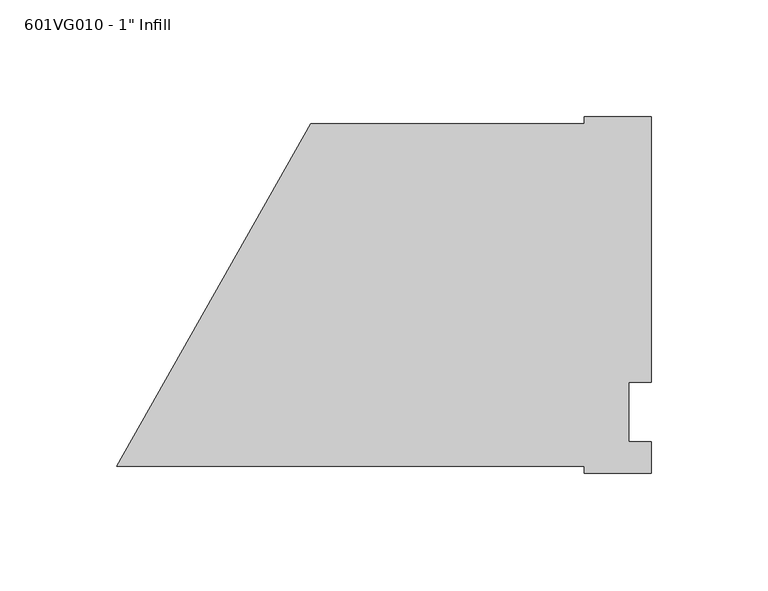
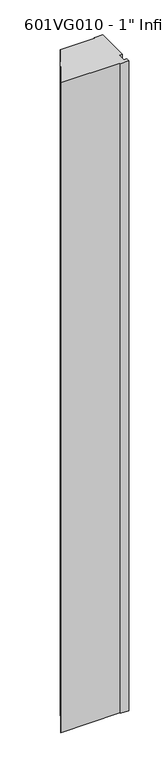
"""IFC4 building model written with IfcOpenShell, lengths in millimetres: proxy geometry."""

from ifc_helpers import new_model, si_unit, frame, origin, place, context, project, spatial, polyline, outline, extrude, source, transform, mapped, element, save


def proxy_01a19746(model_context):
    return source(origin(), model_context, "Body", "SweptSolid", [
        extrude(outline(polyline([(228.6, -26.19375), (199.9581978, -26.19375), (199.9581978, -23.33625), (0.0, -23.33625), (82.99038, 123.34875), (200.0711005, 123.34875), (200.0711005, 126.20625), (228.6, 126.20625), (228.6, 12.7), (219.075, 12.7), (219.075, -12.7), (228.6, -12.7), (228.6, -26.19375)])), frame((0.0, 0.0, 63.5), z_axis=(0.0, 0.0, 1.0), x_axis=(1.0, 0.0, 0.0)), (0.0, 0.0, 1.0), 2311.4),
    ])


if __name__ == "__main__":
    model = new_model("IFC4")
    model_context = context("Model", 3, world=origin())
    ifc_project = project(units=[si_unit("LENGTHUNIT", "METRE", prefix="MILLI")], contexts=[model_context])
    site = spatial("IfcSite", under=ifc_project)
    building = spatial("IfcBuilding", under=site)
    placement = place(None, origin())
    proxy_shape = proxy_01a19746(model_context)
    element("IfcBuildingElementProxy", 1, Name="601VG010 - 1\" Infill", ObjectType="601VG010 - 1\" Infill", at=placement, inside=building, context=model_context, shape_type="MappedRepresentation", body=[
        mapped(proxy_shape, transform((0.0, 0.0, 0.0), x_axis=(1.0, 0.0, 0.0), y_axis=(0.0, 1.0, 0.0), z_axis=(0.0, 0.0, 1.0))),
    ])
    save(model, "model.ifc")
